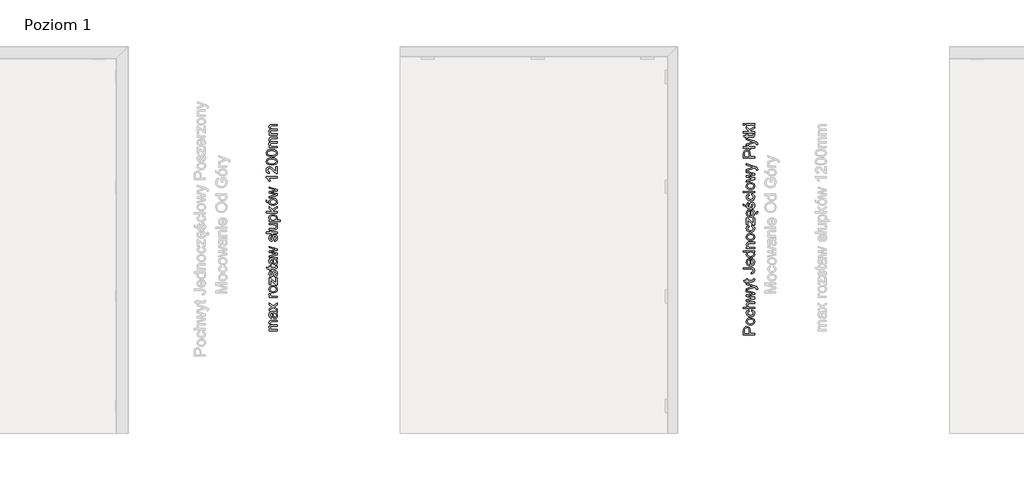
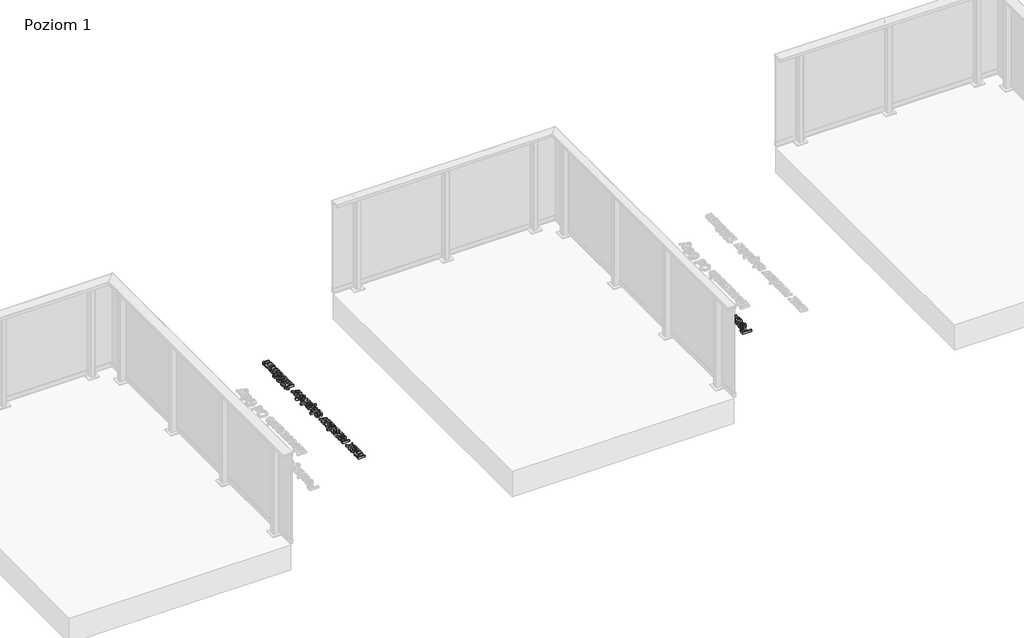
# One storey, part 10 of 35: 2 proxies.
"""IFC4 building model written with IfcOpenShell, lengths in millimetres."""

from ifc_helpers import new_model, si_unit, origin, origin_with_axes, place, context, project, spatial, polyline, outline, extrude, element, save

model = new_model("IFC4")

# Units and contexts
model_context = context("Model", 3, world=origin())
ifc_project = project(units=[si_unit("LENGTHUNIT", "METRE", prefix="MILLI")], contexts=[model_context])

# Site, building, storey
site = spatial("IfcSite", under=ifc_project)
building = spatial("IfcBuilding", under=site)
storey = spatial("IfcBuildingStorey", under=building, Name="Poziom 1", Elevation=0.0)

# Proxies
placement = place(None, origin())
element("IfcBuildingElementProxy", 1, Name="Generic Models", at=placement, inside=storey, context=model_context, shape_type="SweptSolid", body=[
    extrude(outline(polyline([(10115.5993765, -13730.4161008), (10015.1430664, -13730.4161008), (10015.1430664, -13693.1864429), (10016.0995596, -13678.1768575), (10020.7961864, -13665.975438), (10030.508271, -13658.0659751), (10044.205744, -13655.0738682), (10056.0454129, -13657.0941535), (10065.9107817, -13663.1550093), (10072.5694458, -13674.4888405), (10074.7890005, -13692.3280515), (10074.7890005, -13717.859062), (10115.5993765, -13717.859062), (10115.5993765, -13730.4161008)]), holes=[polyline([(10062.2319618, -13717.859062), (10062.2319618, -13691.5922876), (10057.6211741, -13673.1000859), (10052.0722873, -13668.9982017), (10044.6472024, -13667.6309069), (10034.2484047, -13670.8560058), (10028.5584965, -13679.3295544), (10027.7001052, -13691.8865932), (10027.7001052, -13717.859062), (10062.2319618, -13717.859062)])]), origin_with_axes(), (0.0, 0.0, 1.0), 20.0),
    extrude(outline(polyline([(10078.7130752, -13642.5168294), (10060.9259807, -13639.800634), (10048.4241242, -13631.6520478), (10042.298889, -13621.5843439), (10040.2571439, -13609.5300772), (10042.7434131, -13596.338442), (10050.2022205, -13585.8016885), (10062.0449551, -13578.894704), (10077.6830056, -13576.5923759), (10100.0257054, -13580.6636033), (10112.6685833, -13592.5216663), (10117.1690064, -13609.5300772), (10114.6919343, -13622.8811279), (10107.260718, -13633.4056187), (10095.1696631, -13640.2390267), (10078.7130752, -13642.5168294)]), holes=[polyline([(10078.6885497, -13629.9597906), (10090.0530377, -13628.5066567), (10098.1495072, -13624.1472551), (10102.9963525, -13617.5866929), (10104.6119676, -13609.5300772), (10102.9871555, -13601.5102497), (10098.112719, -13594.9619502), (10089.9089505, -13590.6025485), (10078.2961422, -13589.1494146), (10067.2627481, -13590.6117456), (10059.2766431, -13594.9987384), (10054.4297978, -13601.5562349), (10052.8141827, -13609.5300772), (10054.4236664, -13617.5866929), (10059.2521176, -13624.1472551), (10067.3301931, -13628.5066567), (10078.6885497, -13629.9597906)])]), origin_with_axes(), (0.0, 0.0, 1.0), 20.0),
    extrude(outline(polyline([(10088.9156692, -13515.3768119), (10090.485299, -13502.8197731), (10101.6535832, -13506.3207834), (10110.0934093, -13512.8997398), (10115.4001071, -13521.9373741), (10117.1690064, -13532.8144184), (10114.7011313, -13546.1716005), (10107.2975062, -13556.6163835), (10095.2830934, -13563.3578211), (10078.9828553, -13565.6049669), (10058.1239462, -13561.7667315), (10044.7207788, -13550.068084), (10040.2571439, -13532.9860967), (10041.7899856, -13522.3757668), (10046.3885105, -13513.8930212), (10053.8074641, -13507.8076398), (10063.8015916, -13504.3894029), (10065.3712215, -13516.9464417), (10055.9657051, -13522.77124), (10052.8141827, -13532.8879948), (10054.3654184, -13541.0028585), (10059.0191257, -13547.4438591), (10067.0266904, -13551.6469109), (10078.6394988, -13553.0479282), (10090.4086569, -13551.6775677), (10098.4438128, -13547.5664864), (10103.0699289, -13541.2419818), (10104.6119676, -13533.2313514), (10100.7614694, -13521.3978139), (10088.9156692, -13515.3768119)])), origin_with_axes(), (0.0, 0.0, 1.0), 20.0),
    extrude(outline(polyline([(10115.5993765, -13491.8323642), (10015.1430664, -13491.8323642), (10015.1430664, -13479.2753254), (10052.0784187, -13479.2753254), (10043.2124626, -13469.483533), (10040.2571439, -13457.4231349), (10043.4822427, -13443.3209917), (10052.3972498, -13434.761604), (10068.9028886, -13432.18643), (10115.5993765, -13432.18643), (10115.5993765, -13444.7434688), (10070.2027383, -13444.7434688), (10056.9589865, -13448.7411198), (10052.8141827, -13460.0718853), (10055.6100859, -13470.3603184), (10063.188455, -13477.227449), (10076.4076813, -13479.2753254), (10115.5993765, -13479.2753254), (10115.5993765, -13491.8323642)])), origin_with_axes(), (0.0, 0.0, 1.0), 20.0),
    extrude(outline(polyline([(10115.5993765, -13402.682294), (10041.8267738, -13425.1230957), (10041.8267738, -13412.0755476), (10084.8689672, -13399.3468306), (10100.2464346, -13395.5453833), (10085.4330529, -13392.4306491), (10041.8267738, -13382.3016315), (10041.8267738, -13367.341097), (10085.3104256, -13357.2611303), (10098.7258557, -13354.4897526), (10084.5746616, -13350.5166271), (10041.8267738, -13337.7633846), (10041.8267738, -13324.6667856), (10115.5993765, -13347.2792655), (10115.5993765, -13362.4605292), (10072.3364539, -13372.0990375), (10058.8474474, -13374.8949406), (10115.5993765, -13387.3293521), (10115.5993765, -13402.682294)])), origin_with_axes(), (0.0, 0.0, 1.0), 20.0),
    extrude(outline(polyline([(10143.8527138, -13316.0338214), (10131.7616589, -13317.6034513), (10132.8653048, -13311.22683), (10131.479616, -13305.2671417), (10127.616855, -13301.6128472), (10118.3707542, -13298.1792819), (10115.3295964, -13297.1982633), (10041.8267738, -13323.8819706), (10041.8267738, -13310.6382188), (10082.7843026, -13296.4870247), (10099.1673141, -13291.557406), (10084.6972889, -13286.6277873), (10041.8267738, -13272.0841857), (10041.8267738, -13258.9385358), (10117.3652101, -13284.616699), (10133.7482216, -13291.2876259), (10142.601915, -13298.5716894), (10145.4223436, -13308.3573504), (10143.8527138, -13316.0338214)])), origin_with_axes(), (0.0, 0.0, 1.0), 20.0),
    extrude(outline(polyline([(10105.1270024, -13221.8560306), (10115.9672585, -13220.2864008), (10117.1690064, -13229.6796544), (10115.0843417, -13240.2010795), (10109.6151627, -13245.4495293), (10095.3658668, -13246.9701082), (10054.3838125, -13246.9701082), (10054.3838125, -13256.3878873), (10041.8267738, -13256.3878873), (10041.8267738, -13246.9701082), (10023.8986579, -13246.9701082), (10016.5164925, -13234.4130694), (10041.8267738, -13234.4130694), (10041.8267738, -13221.8560306), (10054.3838125, -13221.8560306), (10054.3838125, -13234.4130694), (10094.9979848, -13234.4130694), (10101.4727079, -13233.7508818), (10103.765839, -13231.6049035), (10104.6119676, -13227.3252096), (10105.1270024, -13221.8560306)])), origin_with_axes(), (0.0, 0.0, 1.0), 20.0),
    extrude(outline(polyline([(10087.3950902, -13174.7671353), (10085.7764095, -13162.2100965), (10100.6143166, -13157.9181399), (10104.6119676, -13147.3231384), (10102.343362, -13138.7269625), (10096.1629445, -13133.7482928), (10083.7162703, -13132.3871294), (10015.1430664, -13132.3871294), (10015.1430664, -13119.8300907), (10083.4955411, -13119.8300907), (10103.0055496, -13122.8589857), (10113.5392374, -13132.4729686), (10117.1690064, -13147.9117496), (10115.2958739, -13159.5184266), (10109.6764764, -13168.0471575), (10100.3598649, -13173.2220309), (10087.3950902, -13174.7671353)])), origin_with_axes(), (0.0, 0.0, 1.0), 20.0),
    extrude(outline(polyline([(10093.6245587, -13047.7742705), (10095.1941885, -13035.4624864), (10104.4709462, -13039.8985301), (10111.4055218, -13046.9771929), (10115.7281352, -13056.5390591), (10117.1690064, -13068.4247132), (10114.6827372, -13083.1583871), (10107.2239298, -13094.4952839), (10095.276962, -13101.7241651), (10079.3262118, -13104.1337922), (10062.8389671, -13101.6996397), (10050.5087889, -13094.3971821), (10042.8200552, -13083.2135694), (10040.2571439, -13069.1359517), (10042.8139238, -13055.4967267), (10050.4842634, -13044.5982226), (10062.7899161, -13037.4521149), (10079.2526354, -13035.070079), (10082.6371498, -13035.1436554), (10082.6371498, -13091.5767534), (10092.0365347, -13089.403184), (10098.9465849, -13084.3540036), (10103.1956219, -13077.0668744), (10104.6119676, -13068.1794585), (10101.9877427, -13055.8676744), (10093.6245587, -13047.7742705)]), holes=[polyline([(10070.080111, -13091.5767534), (10070.080111, -13047.6271177), (10058.7002946, -13052.6548383), (10054.2857107, -13059.97569), (10052.8141827, -13069.1850026), (10057.5108095, -13084.6483092), (10063.0014483, -13089.5135486), (10070.080111, -13091.5767534)])]), origin_with_axes(), (0.0, 0.0, 1.0), 20.0),
    extrude(outline(polyline([(10115.5993765, -12976.9937747), (10103.7535763, -12976.9937747), (10113.8151489, -12985.3017764), (10117.1690064, -12996.785826), (10112.312964, -13012.3349717), (10098.7626439, -13023.3223806), (10078.7866516, -13027.2219297), (10058.7983965, -13023.6289489), (10045.0396099, -13012.8622692), (10040.2571439, -12996.8348769), (10043.6784465, -12985.2588568), (10052.568928, -12976.9937747), (10015.1430664, -12976.9937747), (10015.1430664, -12964.4367359), (10115.5993765, -12964.4367359), (10115.5993765, -12976.9937747)]), holes=[polyline([(10078.7376006, -13014.664891), (10090.0959572, -13013.2485453), (10098.1740327, -13008.9995082), (10103.0024839, -13002.8252221), (10104.6119676, -12995.6331291), (10103.0760603, -12988.4441018), (10098.4683383, -12982.4261655), (10090.7029625, -12978.3518724), (10079.6940938, -12976.9937747), (10067.6582212, -12978.3763978), (10059.3134313, -12982.5242673), (10054.4389948, -12988.6954878), (10052.8141827, -12996.1481639), (10054.3746155, -13003.4138333), (10059.0559139, -13009.3673902), (10067.0972012, -13013.3405158), (10078.7376006, -13014.664891)])]), origin_with_axes(), (0.0, 0.0, 1.0), 20.0),
    extrude(outline(polyline([(10115.5993765, -12945.6011777), (10041.8267738, -12945.6011777), (10041.8267738, -12933.044139), (10052.1274696, -12933.044139), (10043.2247253, -12923.4424189), (10040.2571439, -12910.3335571), (10042.6483769, -12898.4754942), (10048.9268963, -12890.3820903), (10058.1607344, -12886.6174312), (10070.3008402, -12885.9552436), (10115.5993765, -12885.9552436), (10115.5993765, -12898.5122824), (10071.9930974, -12898.5122824), (10060.8830611, -12899.9592849), (10055.0092119, -12905.0728446), (10052.8141827, -12913.693546), (10057.7438014, -12927.3174426), (10064.8868435, -12931.6124649), (10076.4567322, -12933.044139), (10115.5993765, -12933.044139), (10115.5993765, -12945.6011777)])), origin_with_axes(), (0.0, 0.0, 1.0), 20.0),
    extrude(outline(polyline([(10078.7130752, -12871.828575), (10060.9259807, -12869.1123796), (10048.4241242, -12860.9637934), (10042.298889, -12850.8960894), (10040.2571439, -12838.8418227), (10042.7434131, -12825.6501875), (10050.2022205, -12815.113434), (10062.0449551, -12808.2064496), (10077.6830056, -12805.9041214), (10100.0257054, -12809.9753488), (10112.6685833, -12821.8334118), (10117.1690064, -12838.8418227), (10114.6919343, -12852.1928735), (10107.260718, -12862.7173642), (10095.1696631, -12869.5507723), (10078.7130752, -12871.828575)]), holes=[polyline([(10078.6885497, -12859.2715362), (10090.0530377, -12857.8184023), (10098.1495072, -12853.4590007), (10102.9963525, -12846.8984384), (10104.6119676, -12838.8418227), (10102.9871555, -12830.8219952), (10098.112719, -12824.2736957), (10089.9089505, -12819.9142941), (10078.2961422, -12818.4611602), (10067.2627481, -12819.9234911), (10059.2766431, -12824.3104839), (10054.4297978, -12830.8679805), (10052.8141827, -12838.8418227), (10054.4236664, -12846.8984384), (10059.2521176, -12853.4590007), (10067.3301931, -12857.8184023), (10078.6885497, -12859.2715362)])]), origin_with_axes(), (0.0, 0.0, 1.0), 20.0),
    extrude(outline(polyline([(10088.9156692, -12744.6885574), (10090.485299, -12732.1315187), (10101.6535832, -12735.632529), (10110.0934093, -12742.2114853), (10115.4001071, -12751.2491197), (10117.1690064, -12762.126164), (10114.7011313, -12775.4833461), (10107.2975062, -12785.9281291), (10095.2830934, -12792.6695667), (10078.9828553, -12794.9167125), (10058.1239462, -12791.078477), (10044.7207788, -12779.3798296), (10040.2571439, -12762.2978423), (10041.7899856, -12751.6875124), (10046.3885105, -12743.2047667), (10053.8074641, -12737.1193854), (10063.8015916, -12733.7011485), (10065.3712215, -12746.2581873), (10055.9657051, -12752.0829855), (10052.8141827, -12762.1997404), (10054.3654184, -12770.3146041), (10059.0191257, -12776.7556047), (10067.0266904, -12780.9586565), (10078.6394988, -12782.3596737), (10090.4086569, -12780.9893133), (10098.4438128, -12776.878232), (10103.0699289, -12770.5537274), (10104.6119676, -12762.5430969), (10100.7614694, -12750.7095594), (10088.9156692, -12744.6885574)])), origin_with_axes(), (0.0, 0.0, 1.0), 20.0),
    extrude(outline(polyline([(10115.5993765, -12728.992259), (10103.7781018, -12728.992259), (10054.3838125, -12685.6557599), (10054.3838125, -12698.4825788), (10054.3838125, -12725.8529993), (10041.8267738, -12725.8529993), (10041.8267738, -12667.776695), (10052.4953516, -12667.776695), (10096.32236, -12706.2081007), (10103.0423378, -12712.0942127), (10103.0423378, -12697.5751366), (10103.0423378, -12666.2070651), (10115.5993765, -12666.2070651), (10115.5993765, -12728.992259)])), origin_with_axes(), (0.0, 0.0, 1.0), 20.0),
    extrude(outline(polyline([(10093.6245587, -12601.9993942), (10095.1941885, -12589.6876101), (10104.4709462, -12594.1236539), (10111.4055218, -12601.2023166), (10115.768218, -12611.0948233), (10121.6694295, -12616.9721914), (10128.9902812, -12619.1181697), (10133.9689508, -12617.5853281), (10136.0045645, -12612.6189212), (10135.5631061, -12609.4796615), (10134.3858838, -12606.561131), (10143.0433734, -12606.561131), (10145.4223436, -12615.3657734), (10144.4167995, -12621.1415207), (10141.6454218, -12625.2617991), (10137.5864571, -12627.7266084), (10132.6691011, -12628.5359488), (10123.7540941, -12626.0834022), (10116.8755159, -12620.228853), (10117.1690064, -12622.6498369), (10114.6827372, -12637.3835108), (10107.2239298, -12648.7204076), (10095.276962, -12655.9492888), (10079.3262118, -12658.3589159), (10062.8389671, -12655.9247634), (10050.5087889, -12648.6223058), (10042.8200552, -12637.4386931), (10040.2571439, -12623.3610754), (10042.8139238, -12609.7218505), (10050.4842634, -12598.8233463), (10062.7899161, -12591.6772386), (10079.2526354, -12589.2952027), (10082.6371498, -12589.3687791), (10082.6371498, -12645.8018771), (10092.0365347, -12643.6283077), (10098.9465849, -12638.5791273), (10103.1956219, -12631.2919981), (10104.6119676, -12622.4045822), (10101.9877427, -12610.0927981), (10093.6245587, -12601.9993942)]), holes=[polyline([(10070.080111, -12645.8018771), (10070.080111, -12601.8522414), (10058.7002946, -12606.879962), (10054.2857107, -12614.2008137), (10052.8141827, -12623.4101264), (10057.5108095, -12638.8734329), (10063.0014483, -12643.7386723), (10070.080111, -12645.8018771)])]), origin_with_axes(), (0.0, 0.0, 1.0), 20.0),
    extrude(outline(polyline([(10093.6245587, -12581.4470534), (10092.0549288, -12568.8900147), (10101.3746061, -12563.0774792), (10104.6119676, -12549.7601509), (10101.6443862, -12536.9578575), (10094.6791537, -12532.7885282), (10089.0382965, -12536.982383), (10085.4575784, -12549.9073037), (10079.3139491, -12568.8164383), (10072.1402502, -12577.0692577), (10062.0112326, -12579.8774236), (10052.6547672, -12577.6210807), (10045.5055937, -12571.4651886), (10041.7899856, -12563.4821493), (10040.2571439, -12552.6786814), (10042.7219533, -12537.3993159), (10049.3928801, -12527.6872312), (10060.6623319, -12523.3707491), (10062.2319618, -12535.9277879), (10055.3035175, -12540.6489402), (10052.8141827, -12551.6976628), (10055.1931529, -12563.7151413), (10060.7359083, -12567.3203848), (10064.3902028, -12565.8243314), (10067.1615805, -12561.1399673), (10069.8348563, -12550.3242367), (10075.7454937, -12531.8933487), (10082.440946, -12523.3339609), (10093.3547786, -12520.2314894), (10105.3722571, -12523.8735212), (10114.0910604, -12534.3826835), (10117.1690064, -12549.9318292), (10115.6852157, -12562.5931012), (10111.2338435, -12571.8330706), (10103.8639409, -12578.0012254), (10093.6245587, -12581.4470534)])), origin_with_axes(), (0.0, 0.0, 1.0), 20.0),
    extrude(outline(polyline([(10033.9786245, -12562.6114953), (10015.1430664, -12553.1937162), (10015.1430664, -12537.4974178), (10033.9786245, -12553.1937162), (10033.9786245, -12562.6114953)])), origin_with_axes(), (0.0, 0.0, 1.0), 20.0),
    extrude(outline(polyline([(10088.9156692, -12459.0159254), (10090.485299, -12446.4588867), (10101.6535832, -12449.959897), (10110.0934093, -12456.5388533), (10115.4001071, -12465.5764877), (10117.1690064, -12476.453532), (10114.7011313, -12489.8107141), (10107.2975062, -12500.2554971), (10095.2830934, -12506.9969347), (10078.9828553, -12509.2440805), (10058.1239462, -12505.405845), (10044.7207788, -12493.7071976), (10040.2571439, -12476.6252103), (10041.7899856, -12466.0148804), (10046.3885105, -12457.5321347), (10053.8074641, -12451.4467534), (10063.8015916, -12448.0285165), (10065.3712215, -12460.5855553), (10055.9657051, -12466.4103536), (10052.8141827, -12476.5271084), (10054.3654184, -12484.6419721), (10059.0191257, -12491.0829727), (10067.0266904, -12495.2860245), (10078.6394988, -12496.6870418), (10090.4086569, -12495.3166813), (10098.4438128, -12491.2056), (10103.0699289, -12484.8810954), (10104.6119676, -12476.8704649), (10100.7614694, -12465.0369274), (10088.9156692, -12459.0159254)])), origin_with_axes(), (0.0, 0.0, 1.0), 20.0),
    extrude(outline(polyline([(10027.7001052, -12435.4714778), (10015.1430664, -12435.4714778), (10015.1430664, -12422.914439), (10027.7001052, -12422.914439), (10027.7001052, -12435.4714778)])), origin_with_axes(), (0.0, 0.0, 1.0), 20.0),
    extrude(outline(polyline([(10115.5993765, -12435.4714778), (10041.8267738, -12435.4714778), (10041.8267738, -12422.914439), (10115.5993765, -12422.914439), (10115.5993765, -12435.4714778)])), origin_with_axes(), (0.0, 0.0, 1.0), 20.0),
    extrude(outline(polyline([(10078.7130752, -12407.2181405), (10060.9259807, -12404.5019451), (10048.4241242, -12396.3533589), (10042.298889, -12386.285655), (10040.2571439, -12374.2313883), (10042.7434131, -12361.0397531), (10050.2022205, -12350.5029996), (10062.0449551, -12343.5960151), (10077.6830056, -12341.293687), (10100.0257054, -12345.3649144), (10112.6685833, -12357.2229774), (10117.1690064, -12374.2313883), (10114.6919343, -12387.582439), (10107.260718, -12398.1069298), (10095.1696631, -12404.9403378), (10078.7130752, -12407.2181405)]), holes=[polyline([(10078.6885497, -12394.6611018), (10090.0530377, -12393.2079679), (10098.1495072, -12388.8485662), (10102.9963525, -12382.288004), (10104.6119676, -12374.2313883), (10102.9871555, -12366.2115608), (10098.112719, -12359.6632613), (10089.9089505, -12355.3038596), (10078.2961422, -12353.8507258), (10067.2627481, -12355.3130567), (10059.2766431, -12359.7000495), (10054.4297978, -12366.257546), (10052.8141827, -12374.2313883), (10054.4236664, -12382.288004), (10059.2521176, -12388.8485662), (10067.3301931, -12393.2079679), (10078.6885497, -12394.6611018)])]), origin_with_axes(), (0.0, 0.0, 1.0), 20.0),
    extrude(outline(polyline([(10115.5993765, -12314.9288107), (10041.8267738, -12337.3696124), (10041.8267738, -12324.3220643), (10084.8689672, -12311.5933472), (10100.2464346, -12307.7919), (10085.4330529, -12304.6771657), (10041.8267738, -12294.5481481), (10041.8267738, -12279.5876137), (10085.3104256, -12269.507647), (10098.7258557, -12266.7362693), (10084.5746616, -12262.7631438), (10041.8267738, -12250.0099013), (10041.8267738, -12236.9133022), (10115.5993765, -12259.5257822), (10115.5993765, -12274.7070459), (10072.3364539, -12284.3455541), (10058.8474474, -12287.1414573), (10115.5993765, -12299.5758687), (10115.5993765, -12314.9288107)])), origin_with_axes(), (0.0, 0.0, 1.0), 20.0),
    extrude(outline(polyline([(10143.8527138, -12228.2803381), (10131.7616589, -12229.8499679), (10132.8653048, -12223.4733467), (10131.479616, -12217.5136583), (10127.616855, -12213.8593639), (10118.3707542, -12210.4257986), (10115.3295964, -12209.4447799), (10041.8267738, -12236.1284873), (10041.8267738, -12222.8847355), (10082.7843026, -12208.7335414), (10099.1673141, -12203.8039227), (10084.6972889, -12198.8743039), (10041.8267738, -12184.3307024), (10041.8267738, -12171.1850524), (10117.3652101, -12196.8632157), (10133.7482216, -12203.5341425), (10142.601915, -12210.818206), (10145.4223436, -12220.6038671), (10143.8527138, -12228.2803381)])), origin_with_axes(), (0.0, 0.0, 1.0), 20.0),
    extrude(outline(polyline([(10115.5993765, -12119.9758787), (10015.1430664, -12119.9758787), (10015.1430664, -12082.7462208), (10016.0995596, -12067.7366354), (10020.7961864, -12055.5352159), (10030.508271, -12047.625753), (10044.205744, -12044.6336461), (10056.0454129, -12046.6539314), (10065.9107817, -12052.7147872), (10072.5694458, -12064.0486184), (10074.7890005, -12081.8878295), (10074.7890005, -12107.4188399), (10115.5993765, -12107.4188399), (10115.5993765, -12119.9758787)]), holes=[polyline([(10062.2319618, -12107.4188399), (10062.2319618, -12081.1520655), (10057.6211741, -12062.6598638), (10052.0722873, -12058.5579796), (10044.6472024, -12057.1906848), (10034.2484047, -12060.4157837), (10028.5584965, -12068.8893323), (10027.7001052, -12081.4463711), (10027.7001052, -12107.4188399), (10062.2319618, -12107.4188399)])]), origin_with_axes(), (0.0, 0.0, 1.0), 20.0),
    extrude(outline(polyline([(10075.8926465, -12028.9373476), (10083.4219647, -12038.3551267), (10069.2952961, -12038.3551267), (10061.7659779, -12028.9373476), (10015.1430664, -12028.9373476), (10015.1430664, -12016.3803089), (10051.7105367, -12016.3803089), (10044.1812185, -12006.9625298), (10058.3078872, -12006.9625298), (10065.8372053, -12016.3803089), (10115.5993765, -12016.3803089), (10115.5993765, -12028.9373476), (10075.8926465, -12028.9373476)])), origin_with_axes(), (0.0, 0.0, 1.0), 20.0),
    extrude(outline(polyline([(10143.8527138, -11997.5447507), (10131.7616589, -11999.1143805), (10132.8653048, -11992.7377593), (10131.479616, -11986.778071), (10127.616855, -11983.1237765), (10118.3707542, -11979.6902112), (10115.3295964, -11978.7091925), (10041.8267738, -12005.3928999), (10041.8267738, -11992.1491481), (10082.7843026, -11977.997954), (10099.1673141, -11973.0683353), (10084.6972889, -11968.1387166), (10041.8267738, -11953.595115), (10041.8267738, -11940.449465), (10117.3652101, -11966.1276283), (10133.7482216, -11972.7985552), (10142.601915, -11980.0826187), (10145.4223436, -11989.8682797), (10143.8527138, -11997.5447507)])), origin_with_axes(), (0.0, 0.0, 1.0), 20.0),
    extrude(outline(polyline([(10105.1270024, -11903.3669599), (10115.9672585, -11901.7973301), (10117.1690064, -11911.1905837), (10115.0843417, -11921.7120088), (10109.6151627, -11926.9604586), (10095.3658668, -11928.4810375), (10054.3838125, -11928.4810375), (10054.3838125, -11937.8988165), (10041.8267738, -11937.8988165), (10041.8267738, -11928.4810375), (10023.8986579, -11928.4810375), (10016.5164925, -11915.9239987), (10041.8267738, -11915.9239987), (10041.8267738, -11903.3669599), (10054.3838125, -11903.3669599), (10054.3838125, -11915.9239987), (10094.9979848, -11915.9239987), (10101.4727079, -11915.2618111), (10103.765839, -11913.1158328), (10104.6119676, -11908.8361389), (10105.1270024, -11903.3669599)])), origin_with_axes(), (0.0, 0.0, 1.0), 20.0),
    extrude(outline(polyline([(10115.5993765, -11890.8099212), (10015.1430664, -11890.8099212), (10015.1430664, -11878.2528824), (10069.1236178, -11878.2528824), (10041.8267738, -11850.097647), (10041.8267738, -11832.7336169), (10069.4669743, -11861.2322088), (10115.5993765, -11831.163987), (10115.5993765, -11845.8302159), (10078.1980404, -11870.2330549), (10085.9726132, -11878.2528824), (10115.5993765, -11878.2528824), (10115.5993765, -11890.8099212)])), origin_with_axes(), (0.0, 0.0, 1.0), 20.0),
    extrude(outline(polyline([(10027.7001052, -11820.1765781), (10015.1430664, -11820.1765781), (10015.1430664, -11807.6195393), (10027.7001052, -11807.6195393), (10027.7001052, -11820.1765781)])), origin_with_axes(), (0.0, 0.0, 1.0), 20.0),
    extrude(outline(polyline([(10115.5993765, -11820.1765781), (10041.8267738, -11820.1765781), (10041.8267738, -11807.6195393), (10115.5993765, -11807.6195393), (10115.5993765, -11820.1765781)])), origin_with_axes(), (0.0, 0.0, 1.0), 20.0),
])
element("IfcBuildingElementProxy", 2, Name="Generic Models", at=placement, inside=storey, context=model_context, shape_type="SweptSolid", body=[
    extrude(outline(polyline([(5769.7173752, -13695.0976583), (5695.9447724, -13695.0976583), (5695.9447724, -13682.5406196), (5708.0848783, -13682.5406196), (5698.1398017, -13673.9076554), (5694.3751426, -13661.6203968), (5698.2133781, -13649.0388325), (5708.9677951, -13642.122651), (5698.0233057, -13632.3247272), (5694.3751426, -13619.9516294), (5695.8926558, -13610.5123906), (5700.4451955, -13603.5318297), (5708.155389, -13599.2184133), (5719.1458636, -13597.7806079), (5769.7173752, -13597.7806079), (5769.7173752, -13610.3376466), (5724.5414662, -13610.3376466), (5714.0568293, -13611.5026063), (5708.8942187, -13615.7209865), (5706.9321813, -13622.8946854), (5711.959902, -13635.2432577), (5718.5020701, -13638.9312747), (5728.0731333, -13640.1606137), (5769.7173752, -13640.1606137), (5769.7173752, -13652.7176525), (5723.1435146, -13652.7176525), (5710.9788833, -13655.6239202), (5706.9321813, -13665.1520639), (5709.6299826, -13674.4472157), (5717.5271828, -13680.6276332), (5732.5122427, -13682.5406196), (5769.7173752, -13682.5406196), (5769.7173752, -13695.0976583)])), origin_with_axes(), (0.0, 0.0, 1.0), 20.0),
    extrude(outline(polyline([(5760.2995961, -13531.8561543), (5768.8099329, -13544.0330484), (5771.287005, -13557.4852667), (5769.797083, -13567.9791006), (5765.3273167, -13575.7199509), (5758.5398939, -13580.4932198), (5750.0970021, -13582.0843094), (5740.1641882, -13579.6808137), (5732.9537011, -13573.3655061), (5728.8334228, -13564.5731264), (5726.9449619, -13553.7083448), (5722.6284798, -13531.9297307), (5719.8325766, -13531.8561543), (5710.5619504, -13535.3142451), (5706.9321813, -13549.195659), (5709.3479398, -13561.8998506), (5717.9195903, -13567.9576408), (5716.3499604, -13580.5146796), (5704.0872273, -13575.0822888), (5696.9012656, -13564.1439308), (5694.3751426, -13547.5769783), (5696.60696, -13532.3589264), (5702.2110291, -13523.7627504), (5710.7336286, -13519.9122522), (5721.7210376, -13519.2991156), (5737.3437596, -13519.2991156), (5759.1591619, -13518.6614534), (5769.7173752, -13516.1598559), (5769.7173752, -13528.7168946), (5760.2995961, -13531.8561543)]), holes=[polyline([(5735.1855186, -13531.8561543), (5739.0360168, -13552.1141895), (5741.0716305, -13562.9176575), (5744.3825685, -13567.810488), (5749.2140853, -13569.5272706), (5756.0076395, -13565.787137), (5758.7299663, -13554.8119908), (5755.7255966, -13542.1077993), (5748.4537959, -13533.9162935), (5738.7417112, -13531.9297307), (5735.1855186, -13531.8561543)])]), origin_with_axes(), (0.0, 0.0, 1.0), 20.0),
    extrude(outline(polyline([(5769.7173752, -13509.8813365), (5732.6348701, -13483.0504763), (5695.9447724, -13508.3117066), (5695.9447724, -13493.2040194), (5713.6031082, -13481.0148626), (5721.9417668, -13475.3249544), (5715.1236871, -13470.3953357), (5695.9447724, -13456.5139217), (5695.9447724, -13441.4062344), (5732.6348701, -13467.942789), (5769.7173752, -13442.3872531), (5769.7173752, -13457.4949404), (5747.4237263, -13472.8724078), (5743.3524989, -13475.6928364), (5769.7173752, -13494.7736492), (5769.7173752, -13509.8813365)])), origin_with_axes(), (0.0, 0.0, 1.0), 20.0),
    extrude(outline(polyline([(5769.7173752, -13392.159098), (5695.9447724, -13392.159098), (5695.9447724, -13381.1716891), (5706.858605, -13381.1716891), (5696.8031637, -13373.3725908), (5694.3751426, -13365.5244416), (5698.2501663, -13352.9183519), (5709.5073553, -13357.1122066), (5706.9321813, -13365.9413745), (5709.4092535, -13373.041497), (5716.276384, -13377.5664456), (5730.9426129, -13379.6020593), (5769.7173752, -13379.6020593), (5769.7173752, -13392.159098)])), origin_with_axes(), (0.0, 0.0, 1.0), 20.0),
    extrude(outline(polyline([(5732.8310738, -13348.2094623), (5715.0439793, -13345.4932669), (5702.5421229, -13337.3446807), (5696.4168877, -13327.2769768), (5694.3751426, -13315.2227101), (5696.8614117, -13302.0310749), (5704.3202192, -13291.4943214), (5716.1629537, -13284.587337), (5731.8010042, -13282.2850088), (5754.1437041, -13286.3562362), (5766.786582, -13298.2142992), (5771.287005, -13315.2227101), (5768.8099329, -13328.5737608), (5761.3787166, -13339.0982516), (5749.2876617, -13345.9316596), (5732.8310738, -13348.2094623)]), holes=[polyline([(5732.8065483, -13335.6524236), (5744.1710363, -13334.1992897), (5752.2675059, -13329.839888), (5757.1143512, -13323.2793258), (5758.7299663, -13315.2227101), (5757.1051541, -13307.2028826), (5752.2307177, -13300.6545831), (5744.0269492, -13296.2951815), (5732.4141409, -13294.8420476), (5721.3807467, -13296.3043785), (5713.3946417, -13300.6913713), (5708.5477964, -13307.2488679), (5706.9321813, -13315.2227101), (5708.5416651, -13323.2793258), (5713.3701163, -13329.839888), (5721.4481917, -13334.1992897), (5732.8065483, -13335.6524236)])]), origin_with_axes(), (0.0, 0.0, 1.0), 20.0),
    extrude(outline(polyline([(5769.7173752, -13276.0064894), (5757.8961004, -13276.0064894), (5708.5018112, -13232.6699904), (5708.5018112, -13245.4968093), (5708.5018112, -13272.8672297), (5695.9447724, -13272.8672297), (5695.9447724, -13214.7909254), (5706.6133503, -13214.7909254), (5750.4403586, -13253.2223312), (5757.1603364, -13259.1084431), (5757.1603364, -13244.589367), (5757.1603364, -13213.2212956), (5769.7173752, -13213.2212956), (5769.7173752, -13276.0064894)])), origin_with_axes(), (0.0, 0.0, 1.0), 20.0),
    extrude(outline(polyline([(5747.7425573, -13205.3731463), (5746.1729275, -13192.8161076), (5755.4926047, -13187.003572), (5758.7299663, -13173.6862438), (5755.7623848, -13160.8839504), (5748.7971524, -13156.7146211), (5743.1562951, -13160.9084759), (5739.5755771, -13173.8333966), (5733.4319477, -13192.7425312), (5726.2582488, -13200.9953506), (5716.1292312, -13203.8035165), (5706.7727658, -13201.5471736), (5699.6235924, -13195.3912815), (5695.9079842, -13187.4082422), (5694.3751426, -13176.6047743), (5696.8399519, -13161.3254088), (5703.5108788, -13151.6133241), (5714.7803306, -13147.296842), (5716.3499604, -13159.8538808), (5709.4215162, -13164.5750331), (5706.9321813, -13175.6237557), (5709.3111516, -13187.6412342), (5714.853907, -13191.2464777), (5718.5082015, -13189.7504243), (5721.2795792, -13185.0660602), (5723.952855, -13174.2503296), (5729.8634924, -13155.8194416), (5736.5589447, -13147.2600538), (5747.4727772, -13144.1575823), (5759.4902557, -13147.7996141), (5768.209059, -13158.3087764), (5771.287005, -13173.8579221), (5769.8032143, -13186.5191941), (5765.3518422, -13195.7591635), (5757.9819395, -13201.9273183), (5747.7425573, -13205.3731463)])), origin_with_axes(), (0.0, 0.0, 1.0), 20.0),
    extrude(outline(polyline([(5759.2450011, -13103.3472063), (5770.0852572, -13101.7775765), (5771.287005, -13111.1708301), (5769.2023404, -13121.6922552), (5763.7331614, -13126.940705), (5749.4838655, -13128.4612839), (5708.5018112, -13128.4612839), (5708.5018112, -13137.879063), (5695.9447724, -13137.879063), (5695.9447724, -13128.4612839), (5678.0166565, -13128.4612839), (5670.6344912, -13115.9042451), (5695.9447724, -13115.9042451), (5695.9447724, -13103.3472063), (5708.5018112, -13103.3472063), (5708.5018112, -13115.9042451), (5749.1159835, -13115.9042451), (5755.5907066, -13115.2420575), (5757.8838377, -13113.0960792), (5758.7299663, -13108.8163853), (5759.2450011, -13103.3472063)])), origin_with_axes(), (0.0, 0.0, 1.0), 20.0),
    extrude(outline(polyline([(5760.2995961, -13043.7012722), (5768.8099329, -13055.8781662), (5771.287005, -13069.3303845), (5769.797083, -13079.8242184), (5765.3273167, -13087.5650688), (5758.5398939, -13092.3383376), (5750.0970021, -13093.9294273), (5740.1641882, -13091.5259316), (5732.9537011, -13085.210624), (5728.8334228, -13076.4182443), (5726.9449619, -13065.5534627), (5722.6284798, -13043.7748486), (5719.8325766, -13043.7012722), (5710.5619504, -13047.1593629), (5706.9321813, -13061.0407769), (5709.3479398, -13073.7449685), (5717.9195903, -13079.8027587), (5716.3499604, -13092.3597974), (5704.0872273, -13086.9274066), (5696.9012656, -13075.9890486), (5694.3751426, -13059.4220961), (5696.60696, -13044.2040443), (5702.2110291, -13035.6078683), (5710.7336286, -13031.7573701), (5721.7210376, -13031.1442334), (5737.3437596, -13031.1442334), (5759.1591619, -13030.5065713), (5769.7173752, -13028.0049737), (5769.7173752, -13040.5620125), (5760.2995961, -13043.7012722)]), holes=[polyline([(5735.1855186, -13043.7012722), (5739.0360168, -13063.9593074), (5741.0716305, -13074.7627753), (5744.3825685, -13079.6556059), (5749.2140853, -13081.3723885), (5756.0076395, -13077.6322549), (5758.7299663, -13066.6571087), (5755.7255966, -13053.9529171), (5748.4537959, -13045.7614114), (5738.7417112, -13043.7748486), (5735.1855186, -13043.7012722)])]), origin_with_axes(), (0.0, 0.0, 1.0), 20.0),
    extrude(outline(polyline([(5769.7173752, -13001.6400974), (5695.9447724, -13024.0808991), (5695.9447724, -13011.033351), (5738.9869659, -12998.304634), (5754.3644333, -12994.5031867), (5739.5510516, -12991.3884525), (5695.9447724, -12981.2594349), (5695.9447724, -12966.2989004), (5739.4284243, -12956.2189337), (5752.8438543, -12953.447556), (5738.6926603, -12949.4744305), (5695.9447724, -12936.721188), (5695.9447724, -12923.624589), (5769.7173752, -12946.2370689), (5769.7173752, -12961.4183326), (5726.4544526, -12971.0568409), (5712.9654461, -12973.852744), (5769.7173752, -12986.2871555), (5769.7173752, -13001.6400974)])), origin_with_axes(), (0.0, 0.0, 1.0), 20.0),
    extrude(outline(polyline([(5747.7425573, -12880.4597682), (5746.1729275, -12867.9027294), (5755.4926047, -12862.0901939), (5758.7299663, -12848.7728657), (5755.7623848, -12835.9705723), (5748.7971524, -12831.801243), (5743.1562951, -12835.9950977), (5739.5755771, -12848.9200185), (5733.4319477, -12867.829153), (5726.2582488, -12876.0819725), (5716.1292312, -12878.8901384), (5706.7727658, -12876.6337955), (5699.6235924, -12870.4779034), (5695.9079842, -12862.4948641), (5694.3751426, -12851.6913962), (5696.8399519, -12836.4120306), (5703.5108788, -12826.699946), (5714.7803306, -12822.3834639), (5716.3499604, -12834.9405027), (5709.4215162, -12839.6616549), (5706.9321813, -12850.7103775), (5709.3111516, -12862.727856), (5714.853907, -12866.3330996), (5718.5082015, -12864.8370461), (5721.2795792, -12860.1526821), (5723.952855, -12849.3369514), (5729.8634924, -12830.9060635), (5736.5589447, -12822.3466757), (5747.4727772, -12819.2442042), (5759.4902557, -12822.886236), (5768.209059, -12833.3953983), (5771.287005, -12848.9445439), (5769.8032143, -12861.6058159), (5765.3518422, -12870.8457854), (5757.9819395, -12877.0139402), (5747.7425573, -12880.4597682)])), origin_with_axes(), (0.0, 0.0, 1.0), 20.0),
    extrude(outline(polyline([(5730.0106452, -12805.1175356), (5737.5399633, -12814.5353147), (5723.4132947, -12814.5353147), (5715.8839766, -12805.1175356), (5669.261065, -12805.1175356), (5669.261065, -12792.5604968), (5705.8285354, -12792.5604968), (5698.2992172, -12783.1427177), (5712.4258858, -12783.1427177), (5719.955204, -12792.5604968), (5769.7173752, -12792.5604968), (5769.7173752, -12805.1175356), (5730.0106452, -12805.1175356)])), origin_with_axes(), (0.0, 0.0, 1.0), 20.0),
    extrude(outline(polyline([(5769.7173752, -12726.6360433), (5757.0377091, -12726.6360433), (5767.7246811, -12736.4707553), (5771.287005, -12749.2975742), (5768.7854075, -12761.1065862), (5762.5068881, -12769.2490411), (5753.2607873, -12772.9891747), (5741.5866653, -12773.7249387), (5695.9447724, -12773.7249387), (5695.9447724, -12761.1678999), (5735.6760279, -12761.1678999), (5748.4783213, -12760.4076104), (5755.9953768, -12755.4412035), (5758.7299663, -12746.0847381), (5755.9340631, -12735.6001012), (5748.3189058, -12728.671657), (5734.3271273, -12726.6360433), (5695.9447724, -12726.6360433), (5695.9447724, -12714.0790045), (5769.7173752, -12714.0790045), (5769.7173752, -12726.6360433)])), origin_with_axes(), (0.0, 0.0, 1.0), 20.0),
    extrude(outline(polyline([(5797.9707124, -12696.8130762), (5695.9447724, -12696.8130762), (5695.9447724, -12684.2560374), (5708.2565565, -12684.2560374), (5697.8454961, -12675.5740224), (5694.3751426, -12663.8508494), (5699.2311849, -12647.9338218), (5712.9163951, -12637.5350241), (5732.2669881, -12634.0278824), (5752.6108624, -12637.9887452), (5766.4677509, -12649.4911889), (5771.287005, -12665.3714284), (5768.0619062, -12676.2975236), (5759.9071887, -12684.2560374), (5797.9707124, -12684.2560374), (5797.9707124, -12696.8130762)]), holes=[polyline([(5733.419685, -12684.2560374), (5744.6768741, -12682.8979397), (5752.5495488, -12678.8236466), (5757.1848619, -12672.8118417), (5758.7299663, -12665.6412085), (5757.1296796, -12658.3540793), (5752.3288196, -12652.1889902), (5744.1679706, -12647.9859384), (5732.4877173, -12646.5849211), (5721.2918419, -12647.9522159), (5713.3088026, -12652.0541001), (5708.5263367, -12658.056708), (5706.9321813, -12665.1261737), (5708.6275042, -12672.2232305), (5713.7134728, -12678.4557647), (5722.0306716, -12682.8059692), (5733.419685, -12684.2560374)])]), origin_with_axes(), (0.0, 0.0, 1.0), 20.0),
    extrude(outline(polyline([(5769.7173752, -12619.9012138), (5669.261065, -12619.9012138), (5669.261065, -12607.344175), (5723.2416165, -12607.344175), (5695.9447724, -12579.1889396), (5695.9447724, -12561.8249094), (5723.584973, -12590.3235013), (5769.7173752, -12560.2552796), (5769.7173752, -12574.9215085), (5732.316039, -12599.3243475), (5740.0906118, -12607.344175), (5769.7173752, -12607.344175), (5769.7173752, -12619.9012138)])), origin_with_axes(), (0.0, 0.0, 1.0), 20.0),
    extrude(outline(polyline([(5732.8310738, -12552.4071304), (5715.0439793, -12549.690935), (5702.5421229, -12541.5423488), (5696.4168877, -12531.4746448), (5694.3751426, -12519.4203781), (5696.8614117, -12506.2287429), (5704.3202192, -12495.6919894), (5716.1629537, -12488.785005), (5731.8010042, -12486.4826768), (5754.1437041, -12490.5539042), (5766.786582, -12502.4119672), (5771.287005, -12519.4203781), (5768.8099329, -12532.7714289), (5761.3787166, -12543.2959196), (5749.2876617, -12550.1293277), (5732.8310738, -12552.4071304)]), holes=[polyline([(5732.8065483, -12539.8500916), (5744.1710363, -12538.3969577), (5752.2675059, -12534.0375561), (5757.1143512, -12527.4769938), (5758.7299663, -12519.4203781), (5757.1051541, -12511.4005506), (5752.2307177, -12504.8522511), (5744.0269492, -12500.4928495), (5732.4141409, -12499.0397156), (5721.3807467, -12500.5020465), (5713.3946417, -12504.8890393), (5708.5477964, -12511.4465359), (5706.9321813, -12519.4203781), (5708.5416651, -12527.4769938), (5713.3701163, -12534.0375561), (5721.4481917, -12538.3969577), (5732.8065483, -12539.8500916)])]), origin_with_axes(), (0.0, 0.0, 1.0), 20.0),
    extrude(outline(polyline([(5688.0966232, -12528.8626827), (5669.261065, -12519.4449036), (5669.261065, -12503.7486051), (5688.0966232, -12519.4449036), (5688.0966232, -12528.8626827)])), origin_with_axes(), (0.0, 0.0, 1.0), 20.0),
    extrude(outline(polyline([(5769.7173752, -12460.1178005), (5695.9447724, -12482.5586022), (5695.9447724, -12469.5110541), (5738.9869659, -12456.7823371), (5754.3644333, -12452.9808898), (5739.5510516, -12449.8661556), (5695.9447724, -12439.737138), (5695.9447724, -12424.7766035), (5739.4284243, -12414.6966368), (5752.8438543, -12411.9252591), (5738.6926603, -12407.9521336), (5695.9447724, -12395.1988911), (5695.9447724, -12382.1022921), (5769.7173752, -12404.714772), (5769.7173752, -12419.8960357), (5726.4544526, -12429.534544), (5712.9654461, -12432.3304471), (5769.7173752, -12444.7648586), (5769.7173752, -12460.1178005)])), origin_with_axes(), (0.0, 0.0, 1.0), 20.0),
    extrude(outline(polyline([(5769.7173752, -12290.2789461), (5769.7173752, -12302.8359848), (5691.4320866, -12302.8359848), (5699.9056352, -12314.730836), (5706.2454683, -12327.9500624), (5694.3751426, -12327.9500624), (5682.6274442, -12309.5436999), (5669.261065, -12298.37235), (5669.261065, -12290.2789461), (5769.7173752, -12290.2789461)])), origin_with_axes(), (0.0, 0.0, 1.0), 20.0),
    extrude(outline(polyline([(5757.1603364, -12196.1011553), (5769.7173752, -12196.1011553), (5769.7173752, -12262.0256088), (5761.0598856, -12260.6767082), (5747.7302946, -12253.0492882), (5733.1744303, -12237.3284642), (5712.2542075, -12215.647952), (5698.0294371, -12210.2278239), (5686.5147306, -12215.3413837), (5681.8181038, -12228.6955001), (5686.404366, -12242.6137022), (5699.0840321, -12247.8989402), (5697.5144023, -12260.455979), (5685.3681651, -12257.4117555), (5676.4960776, -12250.8297335), (5671.0698182, -12241.0532694), (5669.261065, -12228.42572), (5671.2721533, -12215.7062), (5677.305418, -12205.94813), (5686.3185269, -12199.7401214), (5697.2691476, -12197.6707852), (5709.1762615, -12199.9026026), (5721.4880456, -12207.3215562), (5738.6926603, -12225.3109857), (5750.7714524, -12239.7564854), (5757.1603364, -12245.4218681), (5757.1603364, -12196.1011553)])), origin_with_axes(), (0.0, 0.0, 1.0), 20.0),
    extrude(outline(polyline([(5720.2985605, -12183.5441165), (5691.3952984, -12179.8530339), (5674.730244, -12168.8901504), (5669.261065, -12150.5818898), (5672.4984266, -12135.9156609), (5681.8303665, -12125.7866433), (5696.6927992, -12119.9005314), (5720.2985605, -12117.619663), (5749.0791953, -12121.2739575), (5765.7810378, -12132.2000527), (5769.9105132, -12140.4314124), (5771.287005, -12150.5818898), (5768.8957721, -12163.6294379), (5761.7220732, -12173.5377263), (5744.7320564, -12181.042519), (5720.2985605, -12183.5441165)]), holes=[polyline([(5720.274035, -12170.9870778), (5740.0262325, -12169.5155498), (5751.4581655, -12165.1009658), (5756.9120161, -12158.5281409), (5758.7299663, -12150.5818898), (5756.9058847, -12142.6356387), (5751.43364, -12136.0628137), (5739.9955757, -12131.6482298), (5720.274035, -12130.1767018), (5700.9663617, -12131.5991788), (5689.4455238, -12135.86661), (5683.7249588, -12142.4271722), (5681.8181038, -12150.7290426), (5683.4980983, -12158.5894545), (5688.5380816, -12164.9047621), (5700.7762893, -12169.4664989), (5720.274035, -12170.9870778)])]), origin_with_axes(), (0.0, 0.0, 1.0), 20.0),
    extrude(outline(polyline([(5720.2985605, -12106.6322541), (5691.3952984, -12102.9411714), (5674.730244, -12091.9782879), (5669.261065, -12073.6700273), (5672.4984266, -12059.0037984), (5681.8303665, -12048.8747808), (5696.6927992, -12042.9886689), (5720.2985605, -12040.7078005), (5749.0791953, -12044.362095), (5765.7810378, -12055.2881903), (5769.9105132, -12063.5195499), (5771.287005, -12073.6700273), (5768.8957721, -12086.7175754), (5761.7220732, -12096.6258638), (5744.7320564, -12104.1306565), (5720.2985605, -12106.6322541)]), holes=[polyline([(5720.274035, -12094.0752153), (5740.0262325, -12092.6036873), (5751.4581655, -12088.1891034), (5756.9120161, -12081.6162784), (5758.7299663, -12073.6700273), (5756.9058847, -12065.7237762), (5751.43364, -12059.1509512), (5739.9955757, -12054.7363673), (5720.274035, -12053.2648393), (5700.9663617, -12054.6873164), (5689.4455238, -12058.9547475), (5683.7249588, -12065.5153098), (5681.8181038, -12073.8171801), (5683.4980983, -12081.6775921), (5688.5380816, -12087.9928997), (5700.7762893, -12092.5546364), (5720.274035, -12094.0752153)])]), origin_with_axes(), (0.0, 0.0, 1.0), 20.0),
    extrude(outline(polyline([(5769.7173752, -12026.5811319), (5695.9447724, -12026.5811319), (5695.9447724, -12014.0240932), (5708.0848783, -12014.0240932), (5698.1398017, -12005.391129), (5694.3751426, -11993.1038704), (5698.2133781, -11980.5223061), (5708.9677951, -11973.6061246), (5698.0233057, -11963.8082008), (5694.3751426, -11951.435103), (5695.8926558, -11941.9958642), (5700.4451955, -11935.0153033), (5708.155389, -11930.7018869), (5719.1458636, -11929.2640815), (5769.7173752, -11929.2640815), (5769.7173752, -11941.8211202), (5724.5414662, -11941.8211202), (5714.0568293, -11942.9860799), (5708.8942187, -11947.2044601), (5706.9321813, -11954.378159), (5711.959902, -11966.7267313), (5718.5020701, -11970.4147483), (5728.0731333, -11971.6440873), (5769.7173752, -11971.6440873), (5769.7173752, -11984.2011261), (5723.1435146, -11984.2011261), (5710.9788833, -11987.1073938), (5706.9321813, -11996.6355375), (5709.6299826, -12005.9306893), (5717.5271828, -12012.1111068), (5732.5122427, -12014.0240932), (5769.7173752, -12014.0240932), (5769.7173752, -12026.5811319)])), origin_with_axes(), (0.0, 0.0, 1.0), 20.0),
    extrude(outline(polyline([(5769.7173752, -11910.4285233), (5695.9447724, -11910.4285233), (5695.9447724, -11897.8714846), (5708.0848783, -11897.8714846), (5698.1398017, -11889.2385204), (5694.3751426, -11876.9512618), (5698.2133781, -11864.3696975), (5708.9677951, -11857.453516), (5698.0233057, -11847.6555922), (5694.3751426, -11835.2824944), (5695.8926558, -11825.8432556), (5700.4451955, -11818.8626947), (5708.155389, -11814.5492783), (5719.1458636, -11813.1114729), (5769.7173752, -11813.1114729), (5769.7173752, -11825.6685116), (5724.5414662, -11825.6685116), (5714.0568293, -11826.8334713), (5708.8942187, -11831.0518515), (5706.9321813, -11838.2255504), (5711.959902, -11850.5741227), (5718.5020701, -11854.2621397), (5728.0731333, -11855.4914787), (5769.7173752, -11855.4914787), (5769.7173752, -11868.0485175), (5723.1435146, -11868.0485175), (5710.9788833, -11870.9547852), (5706.9321813, -11880.4829289), (5709.6299826, -11889.7780807), (5717.5271828, -11895.9584982), (5732.5122427, -11897.8714846), (5769.7173752, -11897.8714846), (5769.7173752, -11910.4285233)])), origin_with_axes(), (0.0, 0.0, 1.0), 20.0),
])

save(model, "model.ifc")
